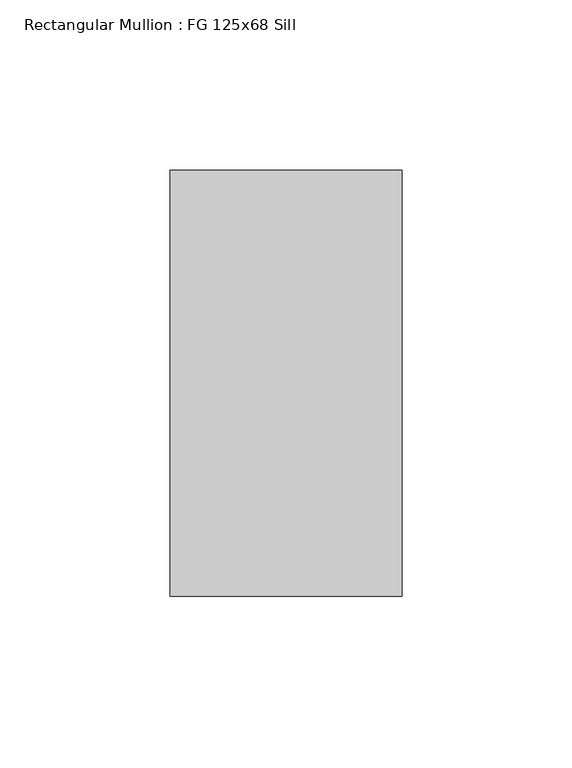
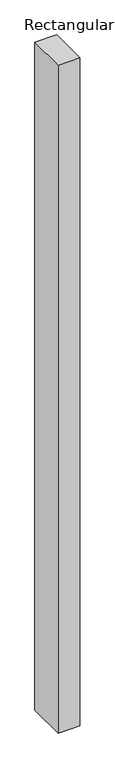
"""IFC4 building model written with IfcOpenShell, lengths in millimetres: member geometry, Rectangular Mullion : FG 125x68 Sill."""

from ifc_helpers import new_model, si_unit, frame, origin, place, context, project, spatial, polyline, outline, extrude, source, transform, mapped, element, save


def rectangular_mullion_fg_125x68_sill_9ffc0ba4(model_context):
    return source(origin(), model_context, "Body", "SweptSolid", [
        extrude(outline(polyline([(0.0, 62.5), (0.0, -62.5), (-68.0, -62.5), (-68.0, 62.5), (0.0, 62.5)])), frame((0.0, 0.0, -2200.0), z_axis=(0.0, 0.0, 1.0), x_axis=(1.0, 0.0, 0.0)), (0.0, 0.0, 1.0), 2200.0),
    ])


if __name__ == "__main__":
    model = new_model("IFC4")
    model_context = context("Model", 3, world=origin())
    ifc_project = project(units=[si_unit("LENGTHUNIT", "METRE", prefix="MILLI")], contexts=[model_context])
    site = spatial("IfcSite", under=ifc_project)
    building = spatial("IfcBuilding", under=site)
    placement = place(None, origin())
    rectangular_mullion_fg_125x68_sill_shape = rectangular_mullion_fg_125x68_sill_9ffc0ba4(model_context)
    element("IfcMember", 1, ObjectType="Rectangular Mullion : FG 125x68 Sill", at=placement, inside=building, context=model_context, shape_type="MappedRepresentation", body=[
        mapped(rectangular_mullion_fg_125x68_sill_shape, transform((0.0, 0.0, 0.0), x_axis=(1.0, 0.0, 0.0), y_axis=(0.0, 1.0, 0.0), z_axis=(0.0, 0.0, 1.0))),
    ])
    save(model, "model.ifc")
